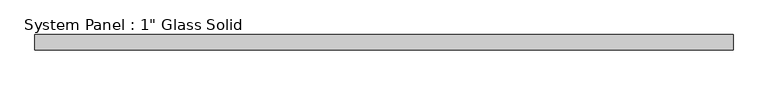
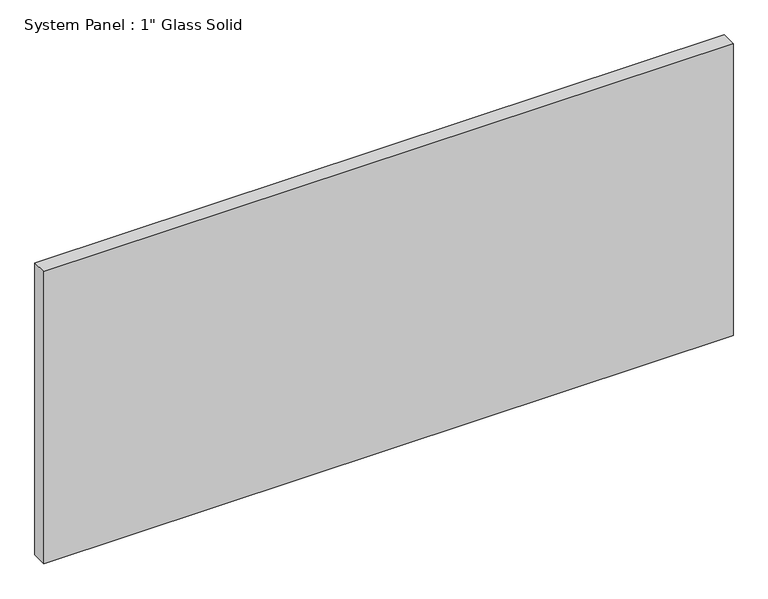
"""IFC4 building model written with IfcOpenShell, lengths in millimetres: plate geometry."""

import ifcopenshell
import ifcopenshell.guid

model = None  # the IFC model being written
_history = None  # IfcOwnerHistory: only IFC2X3 demands one
_inside = {}  # id of a spatial element -> (the spatial element, [elements in it])
_under = {}  # id of a project, library or spatial element -> (it, [spatial elements below it])
_declared = {}  # id of a project -> (the project, [libraries it declares])
_typed = {}  # id of a type object -> (the type object, [elements of that type])
_made_of = {}  # id of a material, layer set ... -> (it, [elements and type objects made of it])


def new_model(schema):
    """Start an empty IFC model of exactly this schema.

    Asked for "IFC4X3", IfcOpenShell would pick the latest addendum, in which some entities
    have other attributes; the version numbers below select the first issue.
    IFC2X3 requires an IfcOwnerHistory on every rooted entity: one is made here for all.
    """
    global model, _history
    if schema == "IFC4X3":
        model = ifcopenshell.file(schema_version=(4, 3, 0, 0))
    else:
        model = ifcopenshell.file(schema=schema)
    _inside.clear()
    _under.clear()
    _declared.clear()
    _typed.clear()
    _made_of.clear()
    _history = None
    if model.schema == "IFC2X3":
        org = make("IfcOrganization", Name="unknown")
        user = make(
            "IfcPersonAndOrganization",
            ThePerson=make("IfcPerson", FamilyName="unknown"),
            TheOrganization=org,
        )
        app = make(
            "IfcApplication",
            ApplicationDeveloper=org,
            Version="unknown",
            ApplicationFullName="unknown",
            ApplicationIdentifier="unknown",
        )
        _history = make(
            "IfcOwnerHistory",
            OwningUser=user,
            OwningApplication=app,
            ChangeAction="ADDED",
            CreationDate=0,
        )
    return model


def make(cls, **values):
    """One entity of the class cls with the attributes given. An attribute that is None is left unset."""
    return model.create_entity(
        cls, **{name: value for name, value in values.items() if value is not None}
    )


def rooted(cls, **values):
    """An entity with a GlobalId (a new one), such as an element, a storey or a relation."""
    return make(cls, GlobalId=ifcopenshell.guid.new(), OwnerHistory=_history, **values)


def si_unit(unit_type, name, prefix=None):
    """IfcSIUnit, for example si_unit("LENGTHUNIT", "METRE", prefix="MILLI")."""
    return make("IfcSIUnit", UnitType=unit_type, Prefix=prefix, Name=name)


def assignment(units):
    """IfcUnitAssignment: the units of a project."""
    return None if units is None else make("IfcUnitAssignment", Units=units)


def point(xyz):
    """IfcCartesianPoint."""
    return None if xyz is None else make("IfcCartesianPoint", Coordinates=xyz)


def direction(xyz):
    """IfcDirection."""
    return None if xyz is None else make("IfcDirection", DirectionRatios=xyz)


def frame(location, z_axis=None, x_axis=None):
    """IfcAxis2Placement3D, a coordinate frame: its origin and axes. An axis left out is left unset."""
    return make(
        "IfcAxis2Placement3D",
        Location=point(location),
        Axis=direction(z_axis),
        RefDirection=direction(x_axis),
    )


def origin():
    """The frame at (0, 0, 0) with its axes left unset."""
    return frame((0.0, 0.0, 0.0))


def origin_with_axes():
    """The frame at (0, 0, 0) with the z axis (0, 0, 1) and the x axis (1, 0, 0) written out."""
    return frame((0.0, 0.0, 0.0), z_axis=(0.0, 0.0, 1.0), x_axis=(1.0, 0.0, 0.0))


def place(relative_to, where):
    """IfcLocalPlacement: puts the frame where relative to a parent placement (None: the world)."""
    return make(
        "IfcLocalPlacement", PlacementRelTo=relative_to, RelativePlacement=where
    )


def context(
    kind, dimensions, precision=None, world=None, true_north=None, identifier=None
):
    """IfcGeometricRepresentationContext, for example the 3D "Model" context."""
    return make(
        "IfcGeometricRepresentationContext",
        ContextIdentifier=identifier,
        ContextType=kind,
        CoordinateSpaceDimension=dimensions,
        Precision=precision,
        WorldCoordinateSystem=world,
        TrueNorth=true_north,
    )


def project(units=None, contexts=None):
    """IfcProject with its units and contexts."""
    return rooted(
        "IfcProject",
        Name="project",
        RepresentationContexts=contexts,
        UnitsInContext=assignment(units),
    )


def spatial(cls, under=None, at=None, **own):
    """A site, building, storey or space (cls), placed at a placement, below another one or the project."""
    s = rooted(cls, ObjectPlacement=at, **own)
    if under is not None:
        _under.setdefault(under.id(), (under, []))[1].append(s)
    return s


def polyline(points):
    """IfcPolyline through the points."""
    return make("IfcPolyline", Points=[point(p) for p in points])


def outline(outer, holes=None, kind="AREA"):
    """IfcArbitraryClosedProfileDef: a profile drawn as a closed curve; with holes, ...WithVoids."""
    if holes is None:
        return make("IfcArbitraryClosedProfileDef", ProfileType=kind, OuterCurve=outer)
    return make(
        "IfcArbitraryProfileDefWithVoids",
        ProfileType=kind,
        OuterCurve=outer,
        InnerCurves=holes,
    )


def extrude(swept, where, along, depth):
    """IfcExtrudedAreaSolid: the profile swept, set in the frame where, extruded along a direction by depth."""
    return make(
        "IfcExtrudedAreaSolid",
        SweptArea=swept,
        Position=where,
        ExtrudedDirection=direction(along),
        Depth=depth,
    )


def shape(context_of_items, identifier, shape_type, items):
    """IfcShapeRepresentation: the items that make up one representation, for example the "Body"."""
    return make(
        "IfcShapeRepresentation",
        ContextOfItems=context_of_items,
        RepresentationIdentifier=identifier,
        RepresentationType=shape_type,
        Items=items,
    )


def source(mapping_origin, context_of_items, identifier, shape_type, items):
    """IfcRepresentationMap: a shape defined once, which mapped items show again and again."""
    return make(
        "IfcRepresentationMap",
        MappingOrigin=mapping_origin,
        MappedRepresentation=shape(context_of_items, identifier, shape_type, items),
    )


def transform(
    local_origin,
    x_axis=None,
    y_axis=None,
    z_axis=None,
    scale=None,
    scale2=None,
    scale3=None,
    uniform=True,
):
    """IfcCartesianTransformationOperator3D, or its non-uniform kind. x_axis, y_axis, z_axis: its Axis1, 2, 3."""
    if uniform:
        return make(
            "IfcCartesianTransformationOperator3D",
            Axis1=direction(x_axis),
            Axis2=direction(y_axis),
            LocalOrigin=point(local_origin),
            Scale=scale,
            Axis3=direction(z_axis),
        )
    return make(
        "IfcCartesianTransformationOperator3DnonUniform",
        Axis1=direction(x_axis),
        Axis2=direction(y_axis),
        LocalOrigin=point(local_origin),
        Scale=scale,
        Axis3=direction(z_axis),
        Scale2=scale2,
        Scale3=scale3,
    )


def mapped(mapping_source, mapping_target):
    """IfcMappedItem: shows the shape of a source again, moved by a transform."""
    return make(
        "IfcMappedItem", MappingSource=mapping_source, MappingTarget=mapping_target
    )


def made_of(thing, what):
    """Note that an element or type object is made of a material, layer set ...; save() writes the relation."""
    if what is not None:
        _made_of.setdefault(what.id(), (what, []))[1].append(thing)
    return thing


def element(
    cls,
    number,
    at=None,
    inside=None,
    cuts=None,
    type_object=None,
    material=None,
    context=None,
    identifier="Body",
    shape_type=None,
    held_by="IfcProductDefinitionShape",
    body=None,
    shapes=None,
    **own,
):
    """One element of the class cls, such as IfcWall. Its Tag is "e" and its number.

    at: its placement. inside: the storey or other place that contains it. cuts: it is an
    opening in that element (IfcRelVoidsElement). A single representation is given by context,
    identifier, shape_type and body (its items); several are given by shapes. held_by: the class
    of the entity that holds the representations. save() writes the other relations.
    """
    e = rooted(cls, Tag="e%d" % number, ObjectPlacement=at, **own)
    if body is not None:
        shapes = [shape(context, identifier, shape_type, body)]
    if shapes is not None:
        e.Representation = make(held_by, Representations=shapes)
    if inside is not None:
        _inside.setdefault(inside.id(), (inside, []))[1].append(e)
    if cuts is not None:
        rooted(
            "IfcRelVoidsElement", RelatingBuildingElement=cuts, RelatedOpeningElement=e
        )
    if type_object is not None:
        _typed.setdefault(type_object.id(), (type_object, []))[1].append(e)
    return made_of(e, material)


def aggregate(whole, parts):
    """IfcRelAggregates: a whole, such as a stair, and the parts it consists of."""
    return rooted("IfcRelAggregates", RelatingObject=whole, RelatedObjects=parts)


def save(model, path):
    """Write the relations noted so far, then the file.

    IfcRelAggregates (storeys below a building ...), IfcRelContainedInSpatialStructure (elements
    in a storey), IfcRelDefinesByType, IfcRelAssociatesMaterial and IfcRelDeclares: one each for
    every whole, place, type object, material and project.
    """
    for whole, parts in _under.values():
        aggregate(whole, parts)
    for where, things in _inside.values():
        rooted(
            "IfcRelContainedInSpatialStructure",
            RelatedElements=things,
            RelatingStructure=where,
        )
    for kind, things in _typed.values():
        rooted("IfcRelDefinesByType", RelatedObjects=things, RelatingType=kind)
    for what, things in _made_of.values():
        rooted("IfcRelAssociatesMaterial", RelatedObjects=things, RelatingMaterial=what)
    for by, libraries in _declared.values():
        rooted("IfcRelDeclares", RelatingContext=by, RelatedDefinitions=libraries)
    model.write(path)


def plate_604e9b6b(model_context):
    return source(origin(), model_context, "Body", "SweptSolid", [
        extrude(outline(polyline([(570.1496412, -12.7), (-570.1496412, -12.7), (-570.1496412, 12.7), (570.1496412, 12.7), (570.1496412, -12.7)])), origin_with_axes(), (0.0, 0.0, 1.0), 511.175),
    ])


if __name__ == "__main__":
    model = new_model("IFC4")
    model_context = context("Model", 3, world=origin())
    ifc_project = project(units=[si_unit("LENGTHUNIT", "METRE", prefix="MILLI")], contexts=[model_context])
    site = spatial("IfcSite", under=ifc_project)
    building = spatial("IfcBuilding", under=site)
    placement = place(None, origin())
    plate_shape = plate_604e9b6b(model_context)
    element("IfcPlate", 1, ObjectType="System Panel : 1\" Glass Solid", at=placement, inside=building, context=model_context, shape_type="MappedRepresentation", body=[
        mapped(plate_shape, transform((0.0, 0.0, 0.0), x_axis=(1.0, 0.0, 0.0), y_axis=(0.0, 1.0, 0.0), z_axis=(0.0, 0.0, 1.0))),
    ])
    save(model, "model.ifc")
